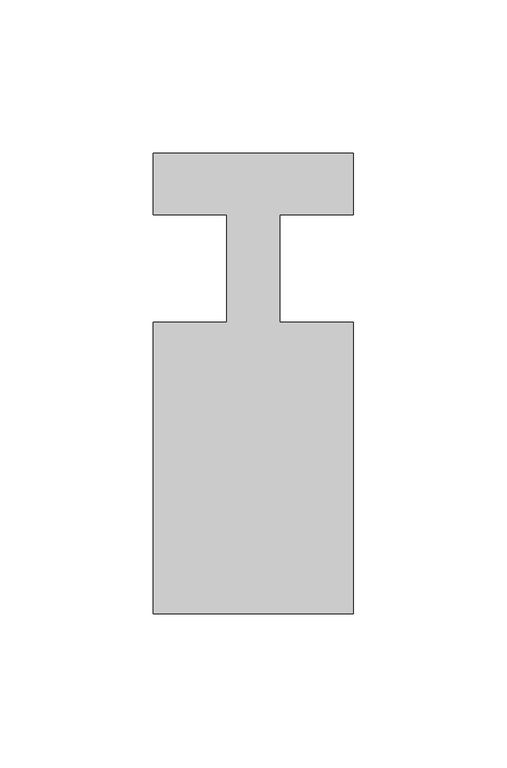
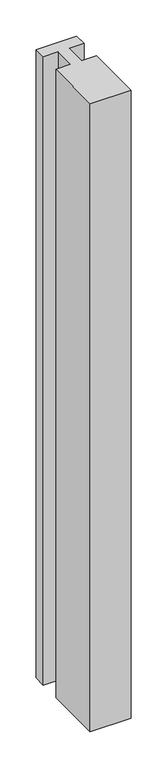
"""IFC4 building model written with IfcOpenShell, lengths in millimetres: member geometry."""

from ifc_helpers import new_model, si_unit, frame, origin, place, context, project, spatial, polyline, outline, extrude, source, transform, mapped, element, save


def member_3889f5fe(model_context):
    return source(origin(), model_context, "Body", "SweptSolid", [
        extrude(outline(polyline([(-32.5, 37.0), (32.5, 37.0), (32.5, 17.0), (8.6875, 17.0), (8.6875, -18.0), (32.5, -18.0), (32.5, -113.0), (-32.5, -113.0), (-32.5, -18.0), (-8.6875, -18.0), (-8.6875, 17.0), (-32.5, 17.0), (-32.5, 37.0)])), frame((0.0, 0.0, -1060.0), z_axis=(0.0, 0.0, 1.0), x_axis=(1.0, 0.0, 0.0)), (0.0, 0.0, 1.0), 1060.0),
    ])


if __name__ == "__main__":
    model = new_model("IFC4")
    model_context = context("Model", 3, world=origin())
    ifc_project = project(units=[si_unit("LENGTHUNIT", "METRE", prefix="MILLI")], contexts=[model_context])
    site = spatial("IfcSite", under=ifc_project)
    building = spatial("IfcBuilding", under=site)
    placement = place(None, origin())
    member_shape = member_3889f5fe(model_context)
    element("IfcMember", 1, at=placement, inside=building, context=model_context, shape_type="MappedRepresentation", body=[
        mapped(member_shape, transform((0.0, 0.0, 0.0), x_axis=(1.0, 0.0, 0.0), y_axis=(0.0, 1.0, 0.0), z_axis=(0.0, 0.0, 1.0))),
    ])
    save(model, "model.ifc")
